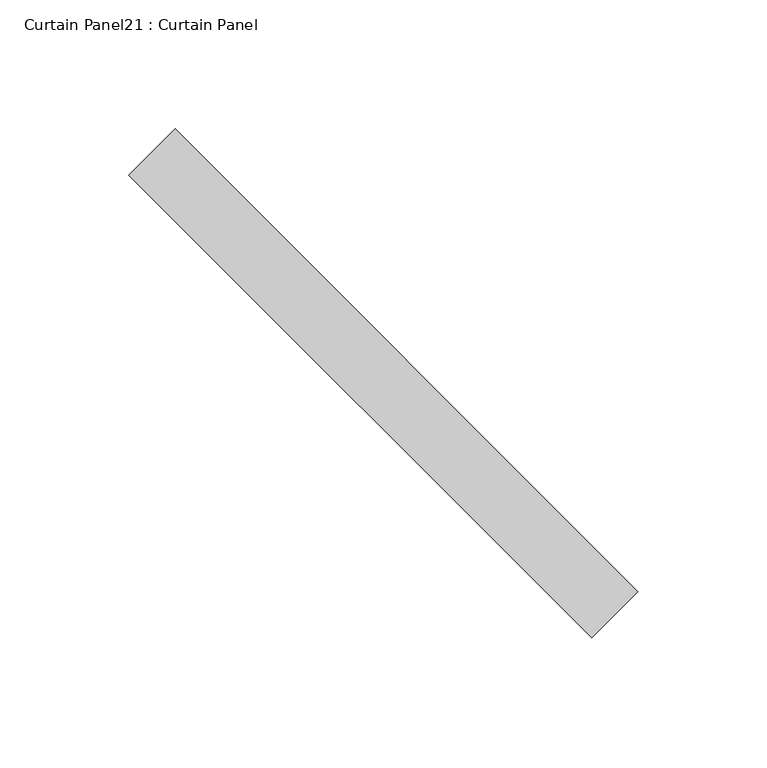
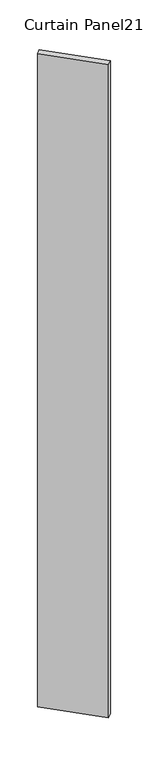
"""IFC4 building model written with IfcOpenShell, lengths in millimetres: plate geometry, Curtain Panel21 : Curtain Panel."""

from ifc_helpers import new_model, si_unit, frame, origin, place, context, project, spatial, polyline, outline, extrude, source, transform, mapped, element, save


def curtain_panel21_curtain_panel_f36ca94b(model_context):
    return source(origin(), model_context, "Body", "SweptSolid", [
        extrude(outline(polyline([(15016.4710458, 3060.2271192), (15196.0761682, 2880.6219968), (15178.115656, 2862.6614846), (14998.5105335, 3042.266607), (15016.4710458, 3060.2271192)])), frame((0.0, 0.0, -633.5446495), z_axis=(0.0, 0.0, 1.0), x_axis=(1.0, 0.0, 0.0)), (0.0, 0.0, 1.0), 2743.2),
    ])


if __name__ == "__main__":
    model = new_model("IFC4")
    model_context = context("Model", 3, world=origin())
    ifc_project = project(units=[si_unit("LENGTHUNIT", "METRE", prefix="MILLI")], contexts=[model_context])
    site = spatial("IfcSite", under=ifc_project)
    building = spatial("IfcBuilding", under=site)
    placement = place(None, origin())
    curtain_panel21_curtain_panel_shape = curtain_panel21_curtain_panel_f36ca94b(model_context)
    element("IfcPlate", 1, ObjectType="Curtain Panel21 : Curtain Panel", at=placement, inside=building, context=model_context, shape_type="MappedRepresentation", body=[
        mapped(curtain_panel21_curtain_panel_shape, transform((0.0, 0.0, 0.0), x_axis=(1.0, 0.0, 0.0), y_axis=(0.0, 1.0, 0.0), z_axis=(0.0, 0.0, 1.0))),
    ])
    save(model, "model.ifc")
